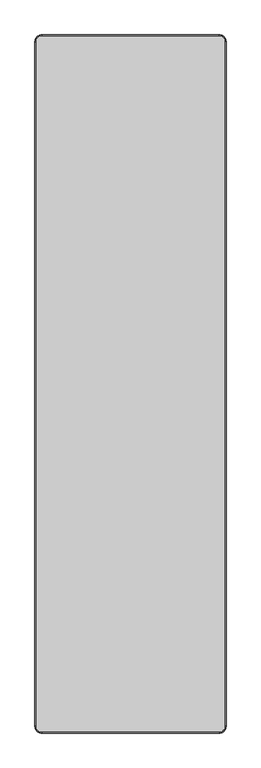
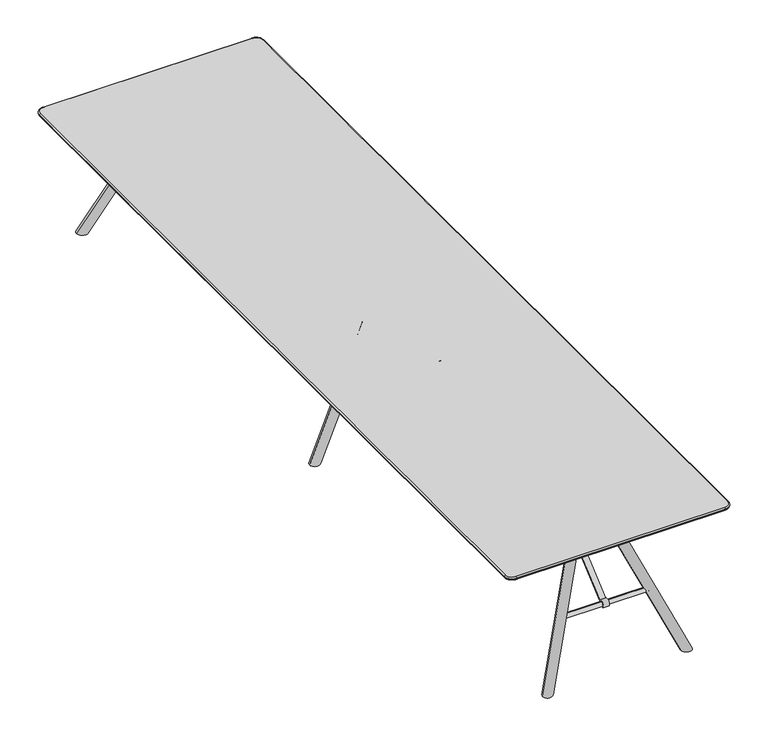
"""IFC4 building model written with IfcOpenShell, lengths in millimetres: furniture geometry."""

from ifc_helpers import new_model, si_unit, point, frame, frame_2d, origin, place, context, project, spatial, polyline, circle_curve, ellipse_curve, trimmed, segment, composite_curve, outline, extrude, source, transform, mapped, element, save
from ifc_brep_helpers import plane_surface, cylinder_surface, revolved_surface, advanced_brep


def furniture_e0d68d92(model_context):
    return source(origin(), model_context, "Body", "SolidModel", [
        extrude(outline(composite_curve([segment(polyline([(452.1615594, 696.9999876), (516.4936641, 696.9999876), (516.4936641, 693.9557965), (453.2570262, 693.9557965), (12.5923474, 318.9245802)]), True, "CONTINUOUS"), segment(trimmed(circle_curve(frame_2d((0.698271, 308.2132689)), 16.0062876), [point((12.5923474, 318.9245802))], [point((-11.9273491, 298.374826))], True, "CARTESIAN"), True, "CONTINUOUS"), segment(polyline([(-11.9273491, 298.374826), (-14.0616587, 296.2405164)]), True, "CONTINUOUS"), segment(trimmed(circle_curve(frame_2d((0.0, 308.9632055)), 18.9630446), [point((-14.0616587, 296.2405164))], [point((12.7510999, 322.9991063))], False, "CARTESIAN"), True, "CONTINUOUS"), segment(polyline([(12.7510999, 322.9991063), (452.1615594, 696.9999876)]), True, "CONTINUOUS")], self_intersect=False)), frame((-30.0854304, 0.0, 0.0), z_axis=(1.0, 0.0, 0.0), x_axis=(0.0, 1.0, 0.0)), (0.0, 0.0, 1.0), 30.0854304),
        advanced_brep(
        [(-234.1299418, 0.4604158, 296.9759032), (-234.1299418, 0.4604158, 320.4264818), (-234.1299418, 0.4604158, 308.7011925), (225.8700582, 0.4604158, 308.7011925), (225.8700582, 0.4604158, 320.4264818), (225.8700582, 0.4604158, 296.9759032)],
        [
            (0, 1, circle_curve(frame((-234.1299418, 0.4604158, 308.7011925), z_axis=(-1.0, 0.0, 0.0), x_axis=(0.0, 0.0, 1.0)), 11.7252893)),
            (1, 2),
            (2, 0),
            (1, 0, circle_curve(frame((-234.1299418, 0.4604158, 308.7011925), z_axis=(-1.0, 0.0, 0.0), x_axis=(0.0, 0.0, 1.0)), 11.7252893)),
            (3, 4),
            (4, 5, circle_curve(frame((225.8700582, 0.4604158, 308.7011925), z_axis=(1.0, 0.0, 0.0), x_axis=(0.0, 0.0, 1.0)), 11.7252893)),
            (5, 3),
            (5, 4, circle_curve(frame((225.8700582, 0.4604158, 308.7011925), z_axis=(1.0, 0.0, 0.0), x_axis=(0.0, 0.0, 1.0)), 11.7252893)),
            (4, 1, circle_curve(frame((-4.1299418, 0.4604158, -4735.1313064), z_axis=(0.0, -1.0, 0.0), x_axis=(0.0, 0.0, -1.0)), 5060.7869497)),
            (0, 5, circle_curve(frame((-4.1299418, 0.4604158, 5352.5336915), z_axis=(0.0, -1.0, 0.0), x_axis=(0.0, 0.0, 1.0)), 5060.7869497)),
        ],
        [
            plane_surface(frame((-234.1299418, 0.4604158, 308.7011925), z_axis=(-1.0, 0.0, 0.0), x_axis=(0.0, 0.0, 1.0))),
            plane_surface(frame((225.8700582, 0.4604158, 308.7011925), z_axis=(1.0, 0.0, 0.0), x_axis=(0.0, 0.0, 1.0))),
            revolved_surface(trimmed(ellipse_curve(frame((-4.1299418, 0.4604158, -4735.1313064), z_axis=(0.0, 1.0, 0.0), x_axis=(0.0, 0.0, -1.0)), 5060.7869497, 5060.7869497), [point((-234.1299418, 0.4604158, 320.4264818))], [point((225.8700582, 0.4604158, 320.4264818))], True, "CARTESIAN"), (225.8700582, 0.4604158, 308.7011925), (1.0, 0.0, 0.0)),
        ],
        [
            (0, [[1, 2, 3]]),
            (0, [[4, -3, -2]]),
            (1, [[5, 6, 7]]),
            (1, [[-7, 8, -5]]),
            (2, [[-6, 9, -1, 10]]),
            (2, [[-8, -10, -4, -9]]),
        ],
    ),
        extrude(outline(composite_curve([segment(polyline([(-452.1615594, 696.9999876), (-12.7510999, 322.9991063)]), True, "CONTINUOUS"), segment(trimmed(circle_curve(frame_2d((0.0, 308.9632055)), 18.9630446), [point((-12.7510999, 322.9991063))], [point((14.0616587, 296.2405164))], False, "CARTESIAN"), True, "CONTINUOUS"), segment(polyline([(14.0616587, 296.2405164), (11.9273491, 298.374826)]), True, "CONTINUOUS"), segment(trimmed(circle_curve(frame_2d((-0.698271, 308.2132689)), 16.0062876), [point((11.9273491, 298.374826))], [point((-12.5923474, 318.9245802))], True, "CARTESIAN"), True, "CONTINUOUS"), segment(polyline([(-12.5923474, 318.9245802), (-453.2570262, 693.9557965), (-516.4936641, 693.9557965), (-516.4936641, 696.9999876), (-452.1615594, 696.9999876)]), True, "CONTINUOUS")], self_intersect=False)), frame((0.0, 0.0, 0.0), z_axis=(1.0, 0.0, 0.0), x_axis=(0.0, 1.0, 0.0)), (0.0, 0.0, 1.0), 30.0854304),
        advanced_brep(
        [(-234.1299418, -0.4604158, 308.7011925), (-234.1299418, -0.4604158, 320.4264818), (-234.1299418, -0.4604158, 296.9759032), (225.8700582, -0.4604158, 296.9759032), (225.8700582, -0.4604158, 320.4264818), (225.8700582, -0.4604158, 308.7011925)],
        [
            (0, 1),
            (1, 2, circle_curve(frame((-234.1299418, -0.4604158, 308.7011925), z_axis=(-1.0, 0.0, 0.0), x_axis=(0.0, 0.0, 1.0)), 11.7252893)),
            (2, 0),
            (2, 1, circle_curve(frame((-234.1299418, -0.4604158, 308.7011925), z_axis=(-1.0, 0.0, 0.0), x_axis=(0.0, 0.0, 1.0)), 11.7252893)),
            (3, 4, circle_curve(frame((225.8700582, -0.4604158, 308.7011925), z_axis=(1.0, 0.0, 0.0), x_axis=(0.0, 0.0, 1.0)), 11.7252893)),
            (4, 5),
            (5, 3),
            (4, 3, circle_curve(frame((225.8700582, -0.4604158, 308.7011925), z_axis=(1.0, 0.0, 0.0), x_axis=(0.0, 0.0, 1.0)), 11.7252893)),
            (1, 4, circle_curve(frame((-4.1299418, -0.4604158, -4735.1313064), z_axis=(0.0, 1.0, 0.0), x_axis=(0.0, 0.0, -1.0)), 5060.7869497)),
            (3, 2, circle_curve(frame((-4.1299418, -0.4604158, 5352.5336915), z_axis=(0.0, 1.0, 0.0), x_axis=(0.0, 0.0, 1.0)), 5060.7869497)),
        ],
        [
            plane_surface(frame((-234.1299418, -0.4604158, 308.7011925), z_axis=(-1.0, 0.0, 0.0), x_axis=(0.0, 0.0, 1.0))),
            plane_surface(frame((225.8700582, -0.4604158, 308.7011925), z_axis=(1.0, 0.0, 0.0), x_axis=(0.0, 0.0, 1.0))),
            revolved_surface(trimmed(ellipse_curve(frame((-4.1299418, -0.4604158, -4735.1313064), z_axis=(0.0, -1.0, 0.0), x_axis=(0.0, 0.0, -1.0)), 5060.7869497, 5060.7869497), [point((225.8700582, -0.4604158, 320.4264818))], [point((-234.1299418, -0.4604158, 320.4264818))], True, "CARTESIAN"), (225.8700582, -0.4604158, 308.7011925), (-1.0, 0.0, 0.0)),
        ],
        [
            (0, [[1, 2, 3]]),
            (0, [[-3, 4, -1]]),
            (1, [[5, 6, 7]]),
            (1, [[8, -7, -6]]),
            (2, [[-2, 9, -5, 10]]),
            (2, [[-4, -10, -8, -9]]),
        ],
    ),
        advanced_brep(
        [(380.955562, 0.0, 0.0), (327.0019251, 0.0, 0.0), (109.0551994, 0.0, 670.5969178), (62.7191201, 0.0, 651.8094817)],
        [
            (0, 1, ellipse_curve(frame((353.9787435, 0.0, 0.0), z_axis=(0.0, 0.0, -1.0), x_axis=(-1.0, 0.0, 0.0)), 26.9768185, 25.0)),
            (1, 0, ellipse_curve(frame((353.9787435, 0.0, 0.0), z_axis=(0.0, 0.0, -1.0), x_axis=(-1.0, 0.0, 0.0)), 26.9768185, 25.0)),
            (2, 3, circle_curve(frame((85.8871597, 0.0, 661.2031998), z_axis=(-0.3757487225690418, 0.0, 0.9267215857460823), x_axis=(-0.9267215857460823, 0.0, -0.3757487225690418)), 25.0)),
            (3, 2, circle_curve(frame((85.8871597, 0.0, 661.2031998), z_axis=(-0.3757487225690418, 0.0, 0.9267215857460823), x_axis=(-0.9267215857460823, 0.0, -0.3757487225690418)), 25.0)),
            (3, 1),
            (0, 2),
        ],
        [
            plane_surface(frame((414.9551578, 90.000027, 0.0), z_axis=(0.0, 0.0, -1.0), x_axis=(-1.0, 0.0, 0.0))),
            plane_surface(frame((62.7191201, 0.0, 651.8094817), z_axis=(-0.3757487225690418, 0.0, 0.9267215857460823), x_axis=(0.0, -1.0, 0.0))),
            cylinder_surface(frame((358.9985719, 0.0, -12.3805698), z_axis=(-0.3757487225690418, 0.0, 0.9267215857460823), x_axis=(-0.9267215857460823, 0.0, -0.3757487225690418)), 25.0),
        ],
        [
            (0, [[1, 2]]),
            (1, [[3, 4]]),
            (2, [[-4, 5, -1, 6]]),
            (2, [[-3, -6, -2, -5]]),
        ],
    ),
        advanced_brep(
        [(-327.0019251, 0.0, 0.0), (-380.955562, 0.0, 0.0), (-109.0551994, 0.0, 670.5969178), (-62.7191201, 0.0, 651.8094817)],
        [
            (0, 1, ellipse_curve(frame((-353.9787435, 0.0, 0.0), z_axis=(0.0, 0.0, -1.0), x_axis=(1.0, 0.0, 0.0)), 26.9768185, 25.0)),
            (1, 0, ellipse_curve(frame((-353.9787435, 0.0, 0.0), z_axis=(0.0, 0.0, -1.0), x_axis=(1.0, 0.0, 0.0)), 26.9768185, 25.0)),
            (2, 3, circle_curve(frame((-85.8871597, 0.0, 661.2031998), z_axis=(0.3757487225690418, 0.0, 0.9267215857460823), x_axis=(0.9267215857460823, 0.0, -0.3757487225690418)), 25.0)),
            (3, 2, circle_curve(frame((-85.8871597, 0.0, 661.2031998), z_axis=(0.3757487225690418, 0.0, 0.9267215857460823), x_axis=(0.9267215857460823, 0.0, -0.3757487225690418)), 25.0)),
            (2, 1),
            (0, 3),
        ],
        [
            plane_surface(frame((414.9551578, 90.000027, 0.0), z_axis=(0.0, 0.0, -1.0), x_axis=(-1.0, 0.0, 0.0))),
            plane_surface(frame((-62.7191201, 0.0, 651.8094817), z_axis=(0.3757487225690418, 0.0, 0.9267215857460823), x_axis=(0.0, 1.0, 0.0))),
            cylinder_surface(frame((-358.9985719, 0.0, -12.3805698), z_axis=(0.3757487225690418, 0.0, 0.9267215857460823), x_axis=(0.9267215857460823, 0.0, -0.3757487225690418)), 25.0),
        ],
        [
            (0, [[1, 2]]),
            (1, [[3, 4]]),
            (2, [[-3, 5, -1, 6]]),
            (2, [[-4, -6, -2, -5]]),
        ],
    ),
        extrude(outline(polyline([(705.4756617, -300.8039954), (687.6294954, -300.8039954), (642.3006437, -190.0), (642.3006437, 190.0), (687.6294954, 300.8039954), (705.4756617, 300.8039954), (705.4756617, -300.8039954)])), frame((0.0, -50.000027, 0.0), z_axis=(0.0, 1.0, 0.0), x_axis=(0.0, 0.0, 1.0)), (0.0, 0.0, 1.0), 100.000054),
        advanced_brep(
        [(380.6471861, 2063.9639551, 0.0), (327.1101507, 2064.2748861, 0.0), (109.9688176, 1843.3483753, 667.7772071), (63.3065195, 1849.2625399, 650.8168831)],
        [
            (0, 1, ellipse_curve(frame((353.8786684, 2064.1194206, 0.0), z_axis=(0.0, 0.0, -1.0), x_axis=(-0.7751468611530293, -0.6317810883879053, 0.0)), 28.2117965, 25.0)),
            (1, 0, ellipse_curve(frame((353.8786684, 2064.1194206, 0.0), z_axis=(0.0, 0.0, -1.0), x_axis=(-0.7751468611530293, -0.6317810883879053, 0.0)), 28.2117965, 25.0)),
            (2, 3, circle_curve(frame((86.6376685, 1846.3054576, 659.2970451), z_axis=(-0.3591957786469682, -0.29276142541603045, 0.8861541290264195), x_axis=(-0.9332459618296186, 0.11828329378096142, -0.33920648157285693)), 25.0)),
            (3, 2, circle_curve(frame((86.6376685, 1846.3054576, 659.2970451), z_axis=(-0.3591957786469682, -0.29276142541603045, 0.8861541290264195), x_axis=(-0.9332459618296186, 0.11828329378096142, -0.33920648157285693)), 25.0)),
            (3, 1),
            (0, 2),
        ],
        [
            plane_surface(frame((414.9551578, 2162.6299355, 0.0), z_axis=(0.0, 0.0, -1.0), x_axis=(-1.0, 0.0, 0.0))),
            plane_surface(frame((63.3065195, 1849.2625399, 650.8168831), z_axis=(-0.35919577864696833, -0.29276142541603045, 0.8861541290264197), x_axis=(-0.005510656123217809, -0.9488412987432098, -0.315705277859574))),
            cylinder_surface(frame((359.1565975, 2068.4211807, -13.0209177), z_axis=(-0.3591957786469683, -0.2927614254160305, 0.8861541290264198), x_axis=(-0.9332459618296186, 0.11828329378096142, -0.33920648157285693)), 25.0),
        ],
        [
            (0, [[1, 2]]),
            (1, [[3, 4]]),
            (2, [[-4, 5, -1, 6]]),
            (2, [[-3, -6, -2, -5]]),
        ],
    ),
        advanced_brep(
        [(-109.9688176, 1843.3483753, 667.7772071), (-63.3065195, 1849.2625399, 650.8168831), (-380.6471861, 2063.9639551, 0.0), (-327.1101507, 2064.2748861, 0.0)],
        [
            (0, 1, circle_curve(frame((-86.6376685, 1846.3054576, 659.2970451), z_axis=(0.3591957786469682, -0.29276142541603045, 0.8861541290264195), x_axis=(0.9332459618296186, 0.1182832937809614, -0.339206481572857)), 25.0)),
            (1, 0, circle_curve(frame((-86.6376685, 1846.3054576, 659.2970451), z_axis=(0.3591957786469682, -0.29276142541603045, 0.8861541290264195), x_axis=(0.9332459618296186, 0.1182832937809614, -0.339206481572857)), 25.0)),
            (0, 2),
            (2, 3, ellipse_curve(frame((-353.8786684, 2064.1194206, 0.0), z_axis=(0.0, 0.0, 1.0), x_axis=(0.7751468611530293, -0.6317810883879053, 0.0)), 28.2117965, 25.0)),
            (3, 1),
            (3, 2, ellipse_curve(frame((-353.8786684, 2064.1194206, 0.0), z_axis=(0.0, 0.0, 1.0), x_axis=(0.7751468611530293, -0.6317810883879053, 0.0)), 28.2117965, 25.0)),
        ],
        [
            plane_surface(frame((-63.3065195, 1849.2625399, 650.8168831), z_axis=(0.3591957786469684, -0.29276142541603045, 0.8861541290264195), x_axis=(-0.005510656123217804, 0.9488412987432097, 0.315705277859574))),
            cylinder_surface(frame((-359.1565975, 2068.4211807, -13.0209177), z_axis=(0.3591957786469683, -0.2927614254160305, 0.8861541290264198), x_axis=(0.9332459618296186, 0.1182832937809614, -0.339206481572857)), 25.0),
            plane_surface(frame((414.9551578, 2162.6299355, 0.0), z_axis=(0.0, 0.0, -1.0), x_axis=(-1.0, 0.0, 0.0))),
        ],
        [
            (0, [[1, 2]]),
            (1, [[-1, 3, 4, 5]]),
            (1, [[-2, -5, 6, -3]]),
            (2, [[-4, -6]]),
        ],
    ),
        extrude(outline(composite_curve([segment(polyline([(1507.3939355, 696.9999876), (1946.804395, 322.9991063)]), True, "CONTINUOUS"), segment(trimmed(circle_curve(frame_2d((1959.555495, 308.9632055)), 18.9630446), [point((1946.804395, 322.9991063))], [point((1973.6171536, 296.2405164))], False, "CARTESIAN"), True, "CONTINUOUS"), segment(polyline([(1973.6171536, 296.2405164), (1971.4828441, 298.374826)]), True, "CONTINUOUS"), segment(trimmed(circle_curve(frame_2d((1958.8572239, 308.2132689)), 16.0062876), [point((1971.4828441, 298.374826))], [point((1946.9631475, 318.9245802))], True, "CARTESIAN"), True, "CONTINUOUS"), segment(polyline([(1946.9631475, 318.9245802), (1506.2984688, 693.9557965), (1443.0618308, 693.9557965), (1443.0618308, 696.9999876), (1507.3939355, 696.9999876)]), True, "CONTINUOUS")], self_intersect=False)), frame((-18.7488756, 0.0, 0.0), z_axis=(1.0, 0.0, 0.0), x_axis=(0.0, 1.0, 0.0)), (0.0, 0.0, 1.0), 30.0854304),
        advanced_brep(
        [(-234.1299418, 1959.0950792, 308.7011925), (-234.1299418, 1959.0950792, 320.4264818), (-234.1299418, 1959.0950792, 296.9759032), (225.8700582, 1959.0950792, 296.9759032), (225.8700582, 1959.0950792, 320.4264818), (225.8700582, 1959.0950792, 308.7011925)],
        [
            (0, 1),
            (1, 2, circle_curve(frame((-234.1299418, 1959.0950792, 308.7011925), z_axis=(-1.0, 0.0, 0.0), x_axis=(0.0, 0.0, 1.0)), 11.7252893)),
            (2, 0),
            (2, 1, circle_curve(frame((-234.1299418, 1959.0950792, 308.7011925), z_axis=(-1.0, 0.0, 0.0), x_axis=(0.0, 0.0, 1.0)), 11.7252893)),
            (3, 4, circle_curve(frame((225.8700582, 1959.0950792, 308.7011925), z_axis=(1.0, 0.0, 0.0), x_axis=(0.0, 0.0, 1.0)), 11.7252893)),
            (4, 5),
            (5, 3),
            (4, 3, circle_curve(frame((225.8700582, 1959.0950792, 308.7011925), z_axis=(1.0, 0.0, 0.0), x_axis=(0.0, 0.0, 1.0)), 11.7252893)),
            (1, 4, circle_curve(frame((-4.1299418, 1959.0950792, -4735.1313064), z_axis=(0.0, 1.0, 0.0), x_axis=(0.0, 0.0, -1.0)), 5060.7869497)),
            (3, 2, circle_curve(frame((-4.1299418, 1959.0950792, 5352.5336915), z_axis=(0.0, 1.0, 0.0), x_axis=(0.0, 0.0, 1.0)), 5060.7869497)),
        ],
        [
            plane_surface(frame((-234.1299418, 1959.0950792, 308.7011925), z_axis=(-1.0, 0.0, 0.0), x_axis=(0.0, 0.0, 1.0))),
            plane_surface(frame((225.8700582, 1959.0950792, 308.7011925), z_axis=(1.0, 0.0, 0.0), x_axis=(0.0, 0.0, 1.0))),
            revolved_surface(trimmed(ellipse_curve(frame((-4.1299418, 1959.0950792, -4735.1313064), z_axis=(0.0, -1.0, 0.0), x_axis=(0.0, 0.0, -1.0)), 5060.7869497, 5060.7869497), [point((225.8700582, 1959.0950792, 320.4264818))], [point((-234.1299418, 1959.0950792, 320.4264818))], True, "CARTESIAN"), (225.8700582, 1959.0950792, 308.7011925), (-1.0, 0.0, 0.0)),
        ],
        [
            (0, [[1, 2, 3]]),
            (0, [[-3, 4, -1]]),
            (1, [[5, 6, 7]]),
            (1, [[8, -7, -6]]),
            (2, [[-2, 9, -5, 10]]),
            (2, [[-4, -10, -8, -9]]),
        ],
    ),
        extrude(outline(polyline([(705.4756617, -300.8039954), (687.6294954, -300.8039954), (642.3006437, -190.0), (642.3006437, 190.0), (687.6294954, 300.8039954), (705.4756617, 300.8039954), (705.4756617, -300.8039954)])), frame((0.0, 1800.0, 0.0), z_axis=(0.0, 1.0, 0.0), x_axis=(0.0, 0.0, 1.0)), (0.0, 0.0, 1.0), 100.000054),
        advanced_brep(
        [(327.1101507, -2064.2748861, 0.0), (380.6471861, -2063.9639551, 0.0), (109.9688176, -1843.3483753, 667.7772071), (63.3065195, -1849.2625399, 650.8168831)],
        [
            (0, 1, ellipse_curve(frame((353.8786684, -2064.1194206, 0.0), z_axis=(0.0, 0.0, -1.0), x_axis=(-0.7751468611530293, 0.6317810883879051, 0.0)), 28.2117965, 25.0)),
            (1, 0, ellipse_curve(frame((353.8786684, -2064.1194206, 0.0), z_axis=(0.0, 0.0, -1.0), x_axis=(-0.7751468611530293, 0.6317810883879051, 0.0)), 28.2117965, 25.0)),
            (2, 3, circle_curve(frame((86.6376685, -1846.3054576, 659.2970451), z_axis=(-0.35919577864696817, 0.29276142541603034, 0.8861541290264195), x_axis=(-0.9332459618296186, -0.11828329378096142, -0.33920648157285693)), 25.0)),
            (3, 2, circle_curve(frame((86.6376685, -1846.3054576, 659.2970451), z_axis=(-0.35919577864696817, 0.29276142541603034, 0.8861541290264195), x_axis=(-0.9332459618296186, -0.11828329378096142, -0.33920648157285693)), 25.0)),
            (2, 1),
            (0, 3),
        ],
        [
            plane_surface(frame((414.9551578, -2019.2242518, 0.0), z_axis=(0.0, 0.0, -1.0), x_axis=(-1.0, 0.0, 0.0))),
            plane_surface(frame((63.3065195, -1849.2625399, 650.8168831), z_axis=(-0.3591957786469684, 0.29276142541603045, 0.8861541290264195), x_axis=(0.005510656123217758, -0.9488412987432097, 0.315705277859574))),
            cylinder_surface(frame((359.1565975, -2068.4211807, -13.0209177), z_axis=(-0.3591957786469682, 0.2927614254160304, 0.8861541290264198), x_axis=(-0.9332459618296186, -0.11828329378096142, -0.33920648157285693)), 25.0),
        ],
        [
            (0, [[1, 2]]),
            (1, [[3, 4]]),
            (2, [[-3, 5, -1, 6]]),
            (2, [[-4, -6, -2, -5]]),
        ],
    ),
        advanced_brep(
        [(-109.9688176, -1843.3483753, 667.7772071), (-63.3065195, -1849.2625399, 650.8168831), (-327.1101507, -2064.2748861, 0.0), (-380.6471861, -2063.9639551, 0.0)],
        [
            (0, 1, circle_curve(frame((-86.6376685, -1846.3054576, 659.2970451), z_axis=(0.3591957786469683, 0.2927614254160305, 0.8861541290264197), x_axis=(0.9332459618296186, -0.1182832937809614, -0.339206481572857)), 25.0)),
            (1, 0, circle_curve(frame((-86.6376685, -1846.3054576, 659.2970451), z_axis=(0.3591957786469683, 0.2927614254160305, 0.8861541290264197), x_axis=(0.9332459618296186, -0.1182832937809614, -0.339206481572857)), 25.0)),
            (1, 2),
            (2, 3, ellipse_curve(frame((-353.8786684, -2064.1194206, 0.0), z_axis=(0.0, 0.0, 1.0), x_axis=(0.7751468611530292, 0.6317810883879053, 0.0)), 28.2117965, 25.0)),
            (3, 0),
            (3, 2, ellipse_curve(frame((-353.8786684, -2064.1194206, 0.0), z_axis=(0.0, 0.0, 1.0), x_axis=(0.7751468611530292, 0.6317810883879053, 0.0)), 28.2117965, 25.0)),
        ],
        [
            plane_surface(frame((-63.3065195, -1849.2625399, 650.8168831), z_axis=(0.35919577864696833, 0.2927614254160305, 0.8861541290264195), x_axis=(0.005510656123217808, 0.9488412987432097, -0.31570527785957403))),
            cylinder_surface(frame((-359.1565975, -2068.4211807, -13.0209177), z_axis=(0.3591957786469683, 0.2927614254160305, 0.8861541290264197), x_axis=(0.9332459618296186, -0.1182832937809614, -0.339206481572857)), 25.0),
            plane_surface(frame((414.9551578, -2019.2242518, 0.0), z_axis=(0.0, 0.0, -1.0), x_axis=(-1.0, 0.0, 0.0))),
        ],
        [
            (0, [[1, 2]]),
            (1, [[-2, 3, 4, 5]]),
            (1, [[-1, -5, 6, -3]]),
            (2, [[-4, -6]]),
        ],
    ),
        extrude(outline(composite_curve([segment(polyline([(-1507.3939355, 696.9999876), (-1443.0618308, 696.9999876), (-1443.0618308, 693.9557965), (-1506.2984688, 693.9557965), (-1946.9631475, 318.9245802)]), True, "CONTINUOUS"), segment(trimmed(circle_curve(frame_2d((-1958.8572239, 308.2132689)), 16.0062876), [point((-1946.9631475, 318.9245802))], [point((-1971.4828441, 298.374826))], True, "CARTESIAN"), True, "CONTINUOUS"), segment(polyline([(-1971.4828441, 298.374826), (-1973.6171536, 296.2405164)]), True, "CONTINUOUS"), segment(trimmed(circle_curve(frame_2d((-1959.555495, 308.9632055)), 18.9630446), [point((-1973.6171536, 296.2405164))], [point((-1946.804395, 322.9991063))], False, "CARTESIAN"), True, "CONTINUOUS"), segment(polyline([(-1946.804395, 322.9991063), (-1507.3939355, 696.9999876)]), True, "CONTINUOUS")], self_intersect=False)), frame((-18.7488756, 0.0, 0.0), z_axis=(1.0, 0.0, 0.0), x_axis=(0.0, 1.0, 0.0)), (0.0, 0.0, 1.0), 30.0854304),
        advanced_brep(
        [(-234.1299418, -1959.0950792, 296.9759032), (-234.1299418, -1959.0950792, 320.4264818), (-234.1299418, -1959.0950792, 308.7011925), (225.8700582, -1959.0950792, 308.7011925), (225.8700582, -1959.0950792, 320.4264818), (225.8700582, -1959.0950792, 296.9759032)],
        [
            (0, 1, circle_curve(frame((-234.1299418, -1959.0950792, 308.7011925), z_axis=(-1.0, 0.0, 0.0), x_axis=(0.0, 0.0, 1.0)), 11.7252893)),
            (1, 2),
            (2, 0),
            (1, 0, circle_curve(frame((-234.1299418, -1959.0950792, 308.7011925), z_axis=(-1.0, 0.0, 0.0), x_axis=(0.0, 0.0, 1.0)), 11.7252893)),
            (3, 4),
            (4, 5, circle_curve(frame((225.8700582, -1959.0950792, 308.7011925), z_axis=(1.0, 0.0, 0.0), x_axis=(0.0, 0.0, 1.0)), 11.7252893)),
            (5, 3),
            (5, 4, circle_curve(frame((225.8700582, -1959.0950792, 308.7011925), z_axis=(1.0, 0.0, 0.0), x_axis=(0.0, 0.0, 1.0)), 11.7252893)),
            (4, 1, circle_curve(frame((-4.1299418, -1959.0950792, -4735.1313064), z_axis=(0.0, -1.0, 0.0), x_axis=(0.0, 0.0, -1.0)), 5060.7869497)),
            (0, 5, circle_curve(frame((-4.1299418, -1959.0950792, 5352.5336915), z_axis=(0.0, -1.0, 0.0), x_axis=(0.0, 0.0, 1.0)), 5060.7869497)),
        ],
        [
            plane_surface(frame((-234.1299418, -1959.0950792, 308.7011925), z_axis=(-1.0, 0.0, 0.0), x_axis=(0.0, 0.0, 1.0))),
            plane_surface(frame((225.8700582, -1959.0950792, 308.7011925), z_axis=(1.0, 0.0, 0.0), x_axis=(0.0, 0.0, 1.0))),
            revolved_surface(trimmed(ellipse_curve(frame((-4.1299418, -1959.0950792, -4735.1313064), z_axis=(0.0, 1.0, 0.0), x_axis=(0.0, 0.0, -1.0)), 5060.7869497, 5060.7869497), [point((-234.1299418, -1959.0950792, 320.4264818))], [point((225.8700582, -1959.0950792, 320.4264818))], True, "CARTESIAN"), (225.8700582, -1959.0950792, 308.7011925), (1.0, 0.0, 0.0)),
        ],
        [
            (0, [[1, 2, 3]]),
            (0, [[4, -3, -2]]),
            (1, [[5, 6, 7]]),
            (1, [[-7, 8, -5]]),
            (2, [[-6, 9, -1, 10]]),
            (2, [[-8, -10, -4, -9]]),
        ],
    ),
        extrude(outline(polyline([(705.4756617, -300.8039954), (687.6294954, -300.8039954), (642.3006437, -190.0), (642.3006437, 190.0), (687.6294954, 300.8039954), (705.4756617, 300.8039954), (705.4756617, -300.8039954)])), frame((0.0, -1900.000054, 0.0), z_axis=(0.0, 1.0, 0.0), x_axis=(0.0, 0.0, 1.0)), (0.0, 0.0, 1.0), 100.000054),
        advanced_brep(
        [(-535.0, 2093.3875297, 720.0), (-568.3875297, 2060.0, 720.0), (-568.3875297, -2060.0, 720.0), (-535.0, -2093.3875297, 720.0), (535.0, -2093.3875297, 720.0), (568.3875297, -2060.0, 720.0), (568.3875297, 2060.0, 720.0), (535.0, 2093.3875297, 720.0), (-540.0005076, 2060.0, 696.9999876), (-535.0, 2065.0005076, 696.9999876), (535.0, 2065.0005076, 696.9999876), (540.0005076, 2060.0, 696.9999876), (540.0005076, -2060.0, 696.9999876), (535.0, -2065.0005076, 696.9999876), (-535.0, -2065.0005076, 696.9999876), (-540.0005076, -2060.0, 696.9999876), (535.0, 2100.0, 713.3875352), (535.0, 2100.0, 711.9936098), (-535.0, 2100.0, 711.9936098), (-535.0, 2100.0, 713.3875287), (-575.0, 2060.0, 711.9936098), (-575.0, 2060.0, 713.3875292), (-575.0, -2060.0, 711.9936098), (-575.0, -2060.0, 713.3875297), (-535.0, -2100.0, 711.9936098), (-535.0, -2100.0, 713.3875296), (535.0, -2100.0, 711.9936098), (535.0, -2100.0, 713.3875297), (575.0, -2060.0, 711.9936098), (575.0, -2060.0, 713.3875308), (575.0, 2060.0, 711.9936098), (575.0, 2060.0, 713.3875297), (-571.0321209, 2060.0, 706.6108805), (-535.0, 2096.0321209, 706.6108805), (-571.0321209, -2060.0, 706.6108805), (-535.0, -2096.0321209, 706.6108805), (535.0, -2096.0321209, 706.6108805), (571.0321209, -2060.0, 706.6108805), (571.0321209, 2060.0, 706.6108805), (535.0, 2096.0321209, 706.6108805)],
        [
            (0, 1, circle_curve(frame((-535.0, 2060.0, 720.0), z_axis=(0.0, 0.0, 1.0), x_axis=(0.0, 1.0, 0.0)), 33.3875297)),
            (1, 2),
            (2, 3, circle_curve(frame((-535.0, -2060.0, 720.0), z_axis=(0.0, 0.0, 1.0), x_axis=(-1.0, 0.0, 0.0)), 33.3875297)),
            (3, 4),
            (4, 5, circle_curve(frame((535.0, -2060.0, 720.0), z_axis=(0.0, 0.0, 1.0), x_axis=(0.0, -1.0, 0.0)), 33.3875297)),
            (5, 6),
            (6, 7, circle_curve(frame((535.0, 2060.0, 720.0), z_axis=(0.0, 0.0, 1.0), x_axis=(1.0, 0.0, 0.0)), 33.3875297)),
            (7, 0),
            (8, 9, circle_curve(frame((-535.0, 2060.0, 696.9999876), z_axis=(0.0, 0.0, -1.0), x_axis=(0.0, 1.0, 0.0)), 5.0005076)),
            (9, 10),
            (10, 11, circle_curve(frame((535.0, 2060.0, 696.9999876), z_axis=(0.0, 0.0, -1.0), x_axis=(1.0, 0.0, 0.0)), 5.0005076)),
            (11, 12),
            (12, 13, circle_curve(frame((535.0, -2060.0, 696.9999876), z_axis=(0.0, 0.0, -1.0), x_axis=(0.0, -1.0, 0.0)), 5.0005076)),
            (13, 14),
            (14, 15, circle_curve(frame((-535.0, -2060.0, 696.9999876), z_axis=(0.0, 0.0, -1.0), x_axis=(-1.0, 0.0, 0.0)), 5.0005076)),
            (15, 8),
            (16, 17),
            (17, 18),
            (18, 19),
            (19, 16),
            (18, 20, circle_curve(frame((-535.0, 2060.0, 711.9936098), z_axis=(0.0, 0.0, 1.0), x_axis=(1.0, 0.0, 0.0)), 40.0)),
            (20, 21),
            (21, 19, circle_curve(frame((-535.0, 2060.0, 713.3875297), z_axis=(0.0, 0.0, -1.0), x_axis=(1.0, 0.0, 0.0)), 40.0)),
            (20, 22),
            (22, 23),
            (23, 21),
            (22, 24, circle_curve(frame((-535.0, -2060.0, 711.9936098), z_axis=(0.0, 0.0, 1.0), x_axis=(1.0, 0.0, 0.0)), 40.0)),
            (24, 25),
            (25, 23, circle_curve(frame((-535.0, -2060.0, 713.3875297), z_axis=(0.0, 0.0, -1.0), x_axis=(1.0, 0.0, 0.0)), 40.0)),
            (24, 26),
            (26, 27),
            (27, 25),
            (26, 28, circle_curve(frame((535.0, -2060.0, 711.9936098), z_axis=(0.0, 0.0, 1.0), x_axis=(1.0, 0.0, 0.0)), 40.0)),
            (28, 29),
            (29, 27, circle_curve(frame((535.0, -2060.0, 713.3875297), z_axis=(0.0, 0.0, -1.0), x_axis=(1.0, 0.0, 0.0)), 40.0)),
            (28, 30),
            (30, 31),
            (31, 29),
            (16, 31, circle_curve(frame((535.0, 2060.0, 713.3875297), z_axis=(0.0, 0.0, -1.0), x_axis=(1.0, 0.0, 0.0)), 40.0)),
            (30, 17, circle_curve(frame((535.0, 2060.0, 711.9936098), z_axis=(0.0, 0.0, 1.0), x_axis=(1.0, 0.0, 0.0)), 40.0)),
            (21, 1, circle_curve(frame((-568.3875297, 2060.0, 713.3875297), z_axis=(0.0, 1.0, 0.0), x_axis=(1.0, 0.0, 0.0)), 6.6124703)),
            (0, 19, circle_curve(frame((-535.0, 2093.3875297, 713.3875297), z_axis=(-1.0, 0.0, 0.0), x_axis=(0.0, -1.0, 0.0)), 6.6124703)),
            (32, 20, circle_curve(frame((-569.3650199, 2060.0, 711.9936098), z_axis=(0.0, 1.0, 0.0), x_axis=(1.0, 0.0, 0.0)), 5.6349801)),
            (18, 33, circle_curve(frame((-535.0, 2094.3650199, 711.9936098), z_axis=(-1.0, 0.0, 0.0), x_axis=(0.0, -1.0, 0.0)), 5.6349801)),
            (33, 32, circle_curve(frame((-535.0, 2060.0, 706.6108805), z_axis=(0.0, 0.0, 1.0), x_axis=(0.0, 1.0, 0.0)), 36.0321209)),
            (33, 9),
            (8, 32),
            (23, 2, circle_curve(frame((-568.3875297, -2060.0, 713.3875297), z_axis=(0.0, 1.0, 0.0), x_axis=(1.0, 0.0, 0.0)), 6.6124703)),
            (32, 34),
            (34, 22, circle_curve(frame((-569.3650199, -2060.0, 711.9936098), z_axis=(0.0, 1.0, 0.0), x_axis=(1.0, 0.0, 0.0)), 5.6349801)),
            (15, 34),
            (25, 3, circle_curve(frame((-535.0, -2093.3875297, 713.3875297), z_axis=(-1.0, 0.0, 0.0), x_axis=(0.0, 1.0, 0.0)), 6.6124703)),
            (34, 35, circle_curve(frame((-535.0, -2060.0, 706.6108805), z_axis=(0.0, 0.0, 1.0), x_axis=(-1.0, 0.0, 0.0)), 36.0321209)),
            (35, 24, circle_curve(frame((-535.0, -2094.3650199, 711.9936098), z_axis=(-1.0, 0.0, 0.0), x_axis=(0.0, 1.0, 0.0)), 5.6349801)),
            (14, 35),
            (27, 4, circle_curve(frame((535.0, -2093.3875297, 713.3875297), z_axis=(-1.0, 0.0, 0.0), x_axis=(0.0, 1.0, 0.0)), 6.6124703)),
            (35, 36),
            (36, 26, circle_curve(frame((535.0, -2094.3650199, 711.9936098), z_axis=(-1.0, 0.0, 0.0), x_axis=(0.0, 1.0, 0.0)), 5.6349801)),
            (13, 36),
            (29, 5, circle_curve(frame((568.3875297, -2060.0, 713.3875297), z_axis=(0.0, -1.0, 0.0), x_axis=(-1.0, 0.0, 0.0)), 6.6124703)),
            (36, 37, circle_curve(frame((535.0, -2060.0, 706.6108805), z_axis=(0.0, 0.0, 1.0), x_axis=(0.0, -1.0, 0.0)), 36.0321209)),
            (37, 28, circle_curve(frame((569.3650199, -2060.0, 711.9936098), z_axis=(0.0, -1.0, 0.0), x_axis=(-1.0, 0.0, 0.0)), 5.6349801)),
            (12, 37),
            (31, 6, circle_curve(frame((568.3875297, 2060.0, 713.3875297), z_axis=(0.0, -1.0, 0.0), x_axis=(-1.0, 0.0, 0.0)), 6.6124703)),
            (37, 38),
            (38, 30, circle_curve(frame((569.3650199, 2060.0, 711.9936098), z_axis=(0.0, -1.0, 0.0), x_axis=(-1.0, 0.0, 0.0)), 5.6349801)),
            (11, 38),
            (16, 7, circle_curve(frame((535.0, 2093.3875297, 713.3875297), z_axis=(1.0, 0.0, 0.0), x_axis=(0.0, -1.0, 0.0)), 6.6124703)),
            (38, 39, circle_curve(frame((535.0, 2060.0, 706.6108805), z_axis=(0.0, 0.0, 1.0), x_axis=(1.0, 0.0, 0.0)), 36.0321209)),
            (39, 17, circle_curve(frame((535.0, 2094.3650199, 711.9936098), z_axis=(1.0, 0.0, 0.0), x_axis=(0.0, -1.0, 0.0)), 5.6349801)),
            (10, 39),
            (39, 33),
        ],
        [
            plane_surface(frame((-435.310117, 2100.0, 720.0), z_axis=(0.0, 0.0, 1.0), x_axis=(-1.0, 0.0, 0.0))),
            plane_surface(frame((-435.310117, 2100.0, 696.9999876), z_axis=(0.0, 0.0, -1.0), x_axis=(1.0, 0.0, 0.0))),
            plane_surface(frame((535.0, 2100.0, 720.0), z_axis=(0.0, 1.0, 0.0), x_axis=(0.0, 0.0, -1.0))),
            cylinder_surface(frame((-535.0, 2060.0, 696.9999876), z_axis=(0.0, 0.0, 1.0), x_axis=(1.0, 0.0, 0.0)), 40.0),
            plane_surface(frame((-575.0, 2060.0, 720.0), z_axis=(-1.0, 0.0, 0.0), x_axis=(0.0, 0.0, -1.0))),
            cylinder_surface(frame((-535.0, -2060.0, 696.9999876), z_axis=(0.0, 0.0, 1.0), x_axis=(1.0, 0.0, 0.0)), 40.0),
            plane_surface(frame((-535.0, -2100.0, 720.0), z_axis=(0.0, -1.0, 0.0), x_axis=(0.0, 0.0, -1.0))),
            cylinder_surface(frame((535.0, -2060.0, 696.9999876), z_axis=(0.0, 0.0, 1.0), x_axis=(1.0, 0.0, 0.0)), 40.0),
            plane_surface(frame((575.0, -2060.0, 720.0), z_axis=(1.0, 0.0, 0.0), x_axis=(0.0, 0.0, -1.0))),
            cylinder_surface(frame((535.0, 2060.0, 696.9999876), z_axis=(0.0, 0.0, 1.0), x_axis=(1.0, 0.0, 0.0)), 40.0),
            revolved_surface(trimmed(ellipse_curve(frame((-535.0, 2093.3875297, 713.3875297), z_axis=(1.0, 0.0, 0.0), x_axis=(0.0, -1.0, 0.0)), 6.6124703, 6.6124703), [point((-535.0, 2100.0, 713.3875297))], [point((-535.0, 2093.3875297, 720.0))], True, "CARTESIAN"), (-535.0, 2060.0, -18.7809165), (0.0, 0.0, 1.0)),
            revolved_surface(trimmed(ellipse_curve(frame((-535.0, 2094.3650199, 711.9936098), z_axis=(1.0, 0.0, 0.0), x_axis=(0.0, -1.0, 0.0)), 5.6349801, 5.6349801), [point((-535.0, 2096.0321209, 706.6108805))], [point((-535.0, 2100.0, 711.9936098))], True, "CARTESIAN"), (-535.0, 2060.0, -18.7809165), (0.0, 0.0, 1.0)),
            revolved_surface(polyline([(-535.0, 2065.0005076, 696.9999876), (-535.0, 2096.0321209, 706.6108805)]), (-535.0, 2060.0, -18.7809165), (0.0, 0.0, 1.0)),
            cylinder_surface(frame((-568.3875297, 2060.0, 713.3875297), z_axis=(0.0, -1.0, 0.0), x_axis=(1.0, 0.0, 0.0)), 6.6124703),
            cylinder_surface(frame((-569.3650199, 2060.0, 711.9936098), z_axis=(0.0, -1.0, 0.0), x_axis=(1.0, 0.0, 0.0)), 5.6349801),
            plane_surface(frame((-571.0321209, 2060.0, 706.6108805), z_axis=(-0.295848611790623, 0.0, -0.9552348396606781), x_axis=(0.0, -1.0, 0.0))),
            revolved_surface(trimmed(ellipse_curve(frame((-568.3875297, -2060.0, 713.3875297), z_axis=(0.0, 1.0, 0.0), x_axis=(1.0, 0.0, 0.0)), 6.6124703, 6.6124703), [point((-575.0, -2060.0, 713.3875297))], [point((-568.3875297, -2060.0, 720.0))], True, "CARTESIAN"), (-535.0, -2060.0, -18.7809165), (0.0, 0.0, 1.0)),
            revolved_surface(trimmed(ellipse_curve(frame((-569.3650199, -2060.0, 711.9936098), z_axis=(0.0, 1.0, 0.0), x_axis=(1.0, 0.0, 0.0)), 5.6349801, 5.6349801), [point((-571.0321209, -2060.0, 706.6108805))], [point((-575.0, -2060.0, 711.9936098))], True, "CARTESIAN"), (-535.0, -2060.0, -18.7809165), (0.0, 0.0, 1.0)),
            revolved_surface(polyline([(-540.0005076, -2060.0, 696.9999876), (-571.0321209, -2060.0, 706.6108805)]), (-535.0, -2060.0, -18.7809165), (0.0, 0.0, 1.0)),
            cylinder_surface(frame((-535.0, -2093.3875297, 713.3875297), z_axis=(1.0, 0.0, 0.0), x_axis=(0.0, 1.0, 0.0)), 6.6124703),
            cylinder_surface(frame((-535.0, -2094.3650199, 711.9936098), z_axis=(1.0, 0.0, 0.0), x_axis=(0.0, 1.0, 0.0)), 5.6349801),
            plane_surface(frame((-535.0, -2096.0321209, 706.6108805), z_axis=(0.0, -0.295848611790623, -0.9552348396606781), x_axis=(1.0, 0.0, 0.0))),
            revolved_surface(trimmed(ellipse_curve(frame((535.0, -2093.3875297, 713.3875297), z_axis=(-1.0, 0.0, 0.0), x_axis=(0.0, 1.0, 0.0)), 6.6124703, 6.6124703), [point((535.0, -2100.0, 713.3875297))], [point((535.0, -2093.3875297, 720.0))], True, "CARTESIAN"), (535.0, -2060.0, -18.7809165), (0.0, 0.0, 1.0)),
            revolved_surface(trimmed(ellipse_curve(frame((535.0, -2094.3650199, 711.9936098), z_axis=(-1.0, 0.0, 0.0), x_axis=(0.0, 1.0, 0.0)), 5.6349801, 5.6349801), [point((535.0, -2096.0321209, 706.6108805))], [point((535.0, -2100.0, 711.9936098))], True, "CARTESIAN"), (535.0, -2060.0, -18.7809165), (0.0, 0.0, 1.0)),
            revolved_surface(polyline([(535.0, -2065.0005076, 696.9999876), (535.0, -2096.0321209, 706.6108805)]), (535.0, -2060.0, -18.7809165), (0.0, 0.0, 1.0)),
            cylinder_surface(frame((568.3875297, -2060.0, 713.3875297), z_axis=(0.0, 1.0, 0.0), x_axis=(-1.0, 0.0, 0.0)), 6.6124703),
            cylinder_surface(frame((569.3650199, -2060.0, 711.9936098), z_axis=(0.0, 1.0, 0.0), x_axis=(-1.0, 0.0, 0.0)), 5.6349801),
            plane_surface(frame((571.0321209, -2060.0, 706.6108805), z_axis=(0.295848611790623, 0.0, -0.9552348396606781), x_axis=(0.0, 1.0, 0.0))),
            revolved_surface(trimmed(ellipse_curve(frame((568.3875297, 2060.0, 713.3875297), z_axis=(0.0, -1.0, 0.0), x_axis=(-1.0, 0.0, 0.0)), 6.6124703, 6.6124703), [point((575.0, 2060.0, 713.3875297))], [point((568.3875297, 2060.0, 720.0))], True, "CARTESIAN"), (535.0, 2060.0, -18.7809165), (0.0, 0.0, 1.0)),
            revolved_surface(trimmed(ellipse_curve(frame((569.3650199, 2060.0, 711.9936098), z_axis=(0.0, -1.0, 0.0), x_axis=(-1.0, 0.0, 0.0)), 5.6349801, 5.6349801), [point((571.0321209, 2060.0, 706.6108805))], [point((575.0, 2060.0, 711.9936098))], True, "CARTESIAN"), (535.0, 2060.0, -18.7809165), (0.0, 0.0, 1.0)),
            revolved_surface(polyline([(540.0005076, 2060.0, 696.9999876), (571.0321209, 2060.0, 706.6108805)]), (535.0, 2060.0, -18.7809165), (0.0, 0.0, 1.0)),
            cylinder_surface(frame((535.0, 2093.3875297, 713.3875297), z_axis=(-1.0, 0.0, 0.0), x_axis=(0.0, -1.0, 0.0)), 6.6124703),
            cylinder_surface(frame((535.0, 2094.3650199, 711.9936098), z_axis=(-1.0, 0.0, 0.0), x_axis=(0.0, -1.0, 0.0)), 5.6349801),
            plane_surface(frame((535.0, 2096.0321209, 706.6108805), z_axis=(0.0, 0.295848611790623, -0.9552348396606781), x_axis=(-1.0, 0.0, 0.0))),
        ],
        [
            (0, [[1, 2, 3, 4, 5, 6, 7, 8]]),
            (1, [[9, 10, 11, 12, 13, 14, 15, 16]]),
            (2, [[17, 18, 19, 20]]),
            (3, [[-19, 21, 22, 23]]),
            (4, [[-22, 24, 25, 26]]),
            (5, [[-25, 27, 28, 29]]),
            (6, [[-28, 30, 31, 32]]),
            (7, [[-31, 33, 34, 35]]),
            (8, [[-34, 36, 37, 38]]),
            (9, [[-17, 39, -37, 40]]),
            (10, [[41, -1, 42, -23]]),
            (11, [[43, -21, 44, 45]]),
            (12, [[-45, 46, -9, 47]]),
            (13, [[-41, -26, 48, -2]]),
            (14, [[-43, 49, 50, -24]]),
            (15, [[-47, -16, 51, -49]]),
            (16, [[-48, -29, 52, -3]]),
            (17, [[-50, 53, 54, -27]]),
            (18, [[-51, -15, 55, -53]]),
            (19, [[-52, -32, 56, -4]]),
            (20, [[-54, 57, 58, -30]]),
            (21, [[-55, -14, 59, -57]]),
            (22, [[-56, -35, 60, -5]]),
            (23, [[-58, 61, 62, -33]]),
            (24, [[-59, -13, 63, -61]]),
            (25, [[-60, -38, 64, -6]]),
            (26, [[-62, 65, 66, -36]]),
            (27, [[-63, -12, 67, -65]]),
            (28, [[-64, -39, 68, -7]]),
            (29, [[-66, 69, 70, -40]]),
            (30, [[-67, -11, 71, -69]]),
            (31, [[-42, -8, -68, -20]]),
            (32, [[-44, -18, -70, 72]]),
            (33, [[-46, -72, -71, -10]]),
        ],
    ),
    ])


if __name__ == "__main__":
    model = new_model("IFC4")
    model_context = context("Model", 3, world=origin())
    ifc_project = project(units=[si_unit("LENGTHUNIT", "METRE", prefix="MILLI")], contexts=[model_context])
    site = spatial("IfcSite", under=ifc_project)
    building = spatial("IfcBuilding", under=site)
    placement = place(None, origin())
    furniture_shape = furniture_e0d68d92(model_context)
    element("IfcFurniture", 1, at=placement, inside=building, context=model_context, shape_type="MappedRepresentation", body=[
        mapped(furniture_shape, transform((0.0, 0.0, 0.0), x_axis=(1.0, 0.0, 0.0), y_axis=(0.0, 1.0, 0.0), z_axis=(0.0, 0.0, 1.0))),
    ])
    save(model, "model.ifc")
